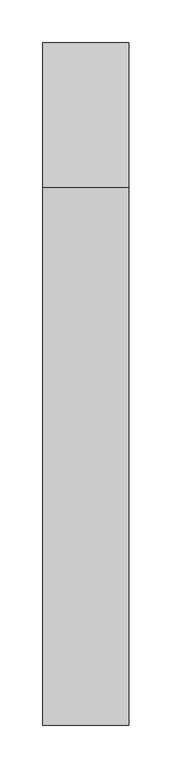
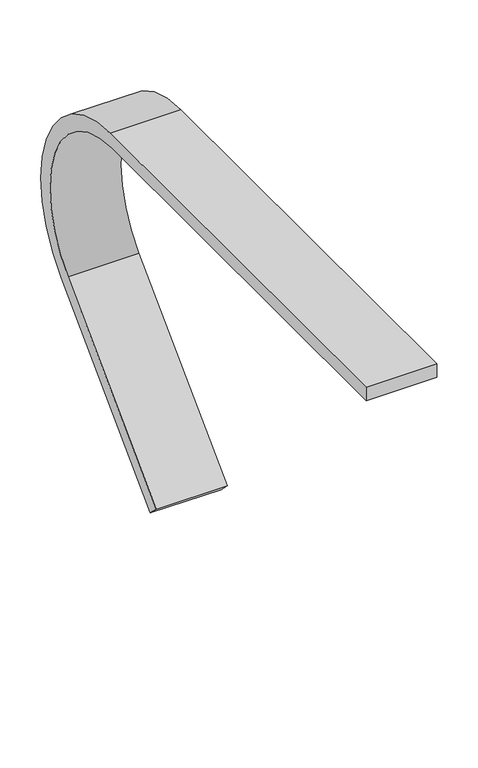
"""IFC4 building model written with IfcOpenShell, lengths in millimetres: proxy geometry."""

from ifc_helpers import new_model, si_unit, point, frame, frame_2d, origin, place, context, project, spatial, polyline, circle_curve, trimmed, segment, composite_curve, outline, extrude, source, transform, mapped, element, save


def generic_models_9d5f552e(model_context):
    return source(origin(), model_context, "Body", "SweptSolid", [
        extrude(outline(composite_curve([segment(trimmed(circle_curve(frame_2d((-97.7866601, 76.7077234)), 169.0137207), [point((-97.7866601, 245.7214441))], [point((21.7240879, -42.8030246))], False, "CARTESIAN"), True, "CONTINUOUS"), segment(polyline([(21.7240879, -42.8030246), (-196.6094005, -261.136513), (-211.0885841, -246.6573293), (4.7085569, -30.8601883)]), True, "CONTINUOUS"), segment(trimmed(circle_curve(frame_2d((-101.5710351, 75.4194037)), 150.3020404), [point((4.7085569, -30.8601883))], [point((-101.5710351, 225.7214441))], True, "CARTESIAN"), True, "CONTINUOUS"), segment(polyline([(-101.5710351, 225.7214441), (-723.4542786, 225.7214441), (-723.4542786, 245.7214441), (-97.7866601, 245.7214441)]), True, "CONTINUOUS")], self_intersect=False)), frame((277.816976, 0.0, 0.0), z_axis=(1.0, 0.0, 0.0), x_axis=(0.0, 1.0, 0.0)), (0.0, 0.0, 1.0), 99.9158586),
    ])


if __name__ == "__main__":
    model = new_model("IFC4")
    model_context = context("Model", 3, world=origin())
    ifc_project = project(units=[si_unit("LENGTHUNIT", "METRE", prefix="MILLI")], contexts=[model_context])
    site = spatial("IfcSite", under=ifc_project)
    building = spatial("IfcBuilding", under=site)
    placement = place(None, origin())
    generic_models_shape = generic_models_9d5f552e(model_context)
    element("IfcBuildingElementProxy", 1, Name="Generic Models", at=placement, inside=building, context=model_context, shape_type="MappedRepresentation", body=[
        mapped(generic_models_shape, transform((0.0, 0.0, 0.0), x_axis=(1.0, 0.0, 0.0), y_axis=(0.0, 1.0, 0.0), z_axis=(0.0, 0.0, 1.0))),
    ])
    save(model, "model.ifc")
